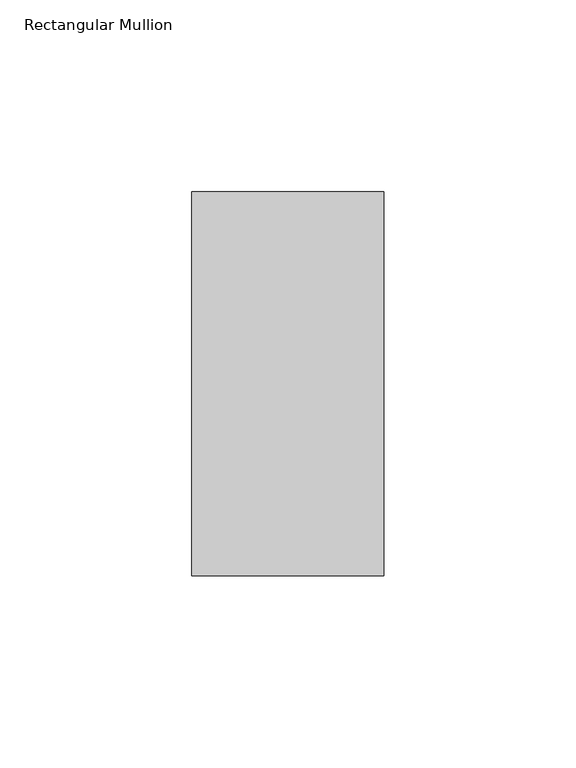
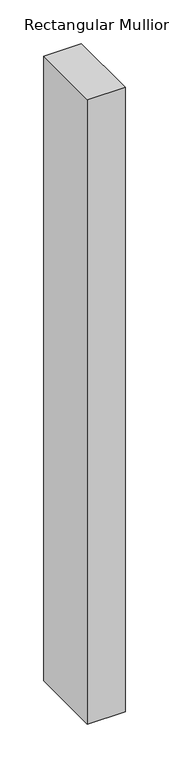
"""IFC4 building model written with IfcOpenShell, lengths in millimetres: member geometry, Rectangular Mullion."""

from ifc_helpers import new_model, si_unit, frame, origin, place, context, project, spatial, polyline, outline, extrude, source, transform, mapped, element, save


def rectangular_mullion_73ff2044(model_context):
    return source(origin(), model_context, "Body", "SweptSolid", [
        extrude(outline(polyline([(0.0, 69.0), (0.0, -31.0), (-50.0, -31.0), (-50.0, 69.0), (0.0, 69.0)])), frame((0.0, 0.0, -873.3333333), z_axis=(0.0, 0.0, 1.0), x_axis=(1.0, 0.0, 0.0)), (0.0, 0.0, 1.0), 873.3333333),
    ])


if __name__ == "__main__":
    model = new_model("IFC4")
    model_context = context("Model", 3, world=origin())
    ifc_project = project(units=[si_unit("LENGTHUNIT", "METRE", prefix="MILLI")], contexts=[model_context])
    site = spatial("IfcSite", under=ifc_project)
    building = spatial("IfcBuilding", under=site)
    placement = place(None, origin())
    rectangular_mullion_shape = rectangular_mullion_73ff2044(model_context)
    element("IfcMember", 1, ObjectType="Rectangular Mullion", at=placement, inside=building, context=model_context, shape_type="MappedRepresentation", body=[
        mapped(rectangular_mullion_shape, transform((0.0, 0.0, 0.0), x_axis=(1.0, 0.0, 0.0), y_axis=(0.0, 1.0, 0.0), z_axis=(0.0, 0.0, 1.0))),
    ])
    save(model, "model.ifc")
